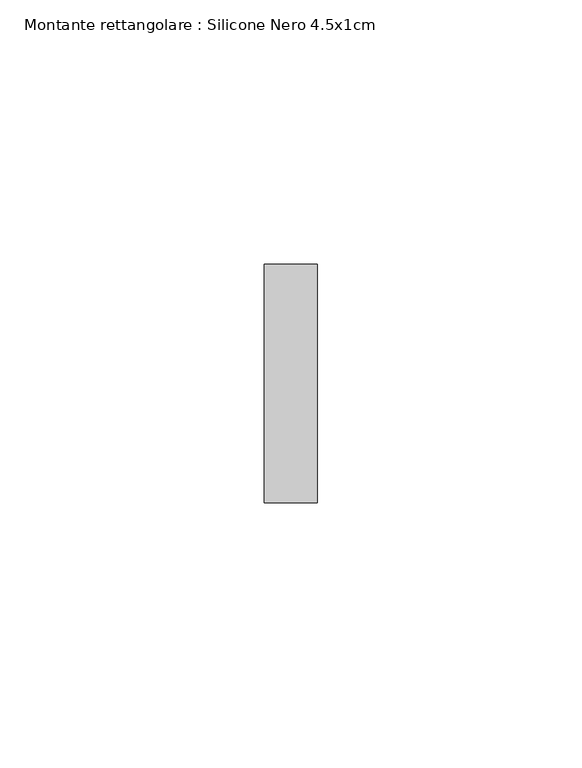
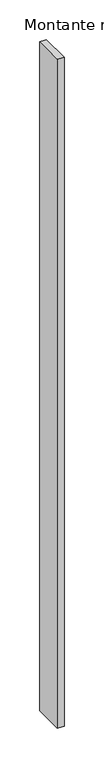
"""IFC4 building model written with IfcOpenShell, lengths in millimetres: member geometry, Montante rettangolare : Silicone Nero 4.5x1cm."""

import ifcopenshell
import ifcopenshell.guid

model = None  # the IFC model being written
_history = None  # IfcOwnerHistory: only IFC2X3 demands one
_inside = {}  # id of a spatial element -> (the spatial element, [elements in it])
_under = {}  # id of a project, library or spatial element -> (it, [spatial elements below it])
_declared = {}  # id of a project -> (the project, [libraries it declares])
_typed = {}  # id of a type object -> (the type object, [elements of that type])
_made_of = {}  # id of a material, layer set ... -> (it, [elements and type objects made of it])


def new_model(schema):
    """Start an empty IFC model of exactly this schema.

    Asked for "IFC4X3", IfcOpenShell would pick the latest addendum, in which some entities
    have other attributes; the version numbers below select the first issue.
    IFC2X3 requires an IfcOwnerHistory on every rooted entity: one is made here for all.
    """
    global model, _history
    if schema == "IFC4X3":
        model = ifcopenshell.file(schema_version=(4, 3, 0, 0))
    else:
        model = ifcopenshell.file(schema=schema)
    _inside.clear()
    _under.clear()
    _declared.clear()
    _typed.clear()
    _made_of.clear()
    _history = None
    if model.schema == "IFC2X3":
        org = make("IfcOrganization", Name="unknown")
        user = make(
            "IfcPersonAndOrganization",
            ThePerson=make("IfcPerson", FamilyName="unknown"),
            TheOrganization=org,
        )
        app = make(
            "IfcApplication",
            ApplicationDeveloper=org,
            Version="unknown",
            ApplicationFullName="unknown",
            ApplicationIdentifier="unknown",
        )
        _history = make(
            "IfcOwnerHistory",
            OwningUser=user,
            OwningApplication=app,
            ChangeAction="ADDED",
            CreationDate=0,
        )
    return model


def make(cls, **values):
    """One entity of the class cls with the attributes given. An attribute that is None is left unset."""
    return model.create_entity(
        cls, **{name: value for name, value in values.items() if value is not None}
    )


def rooted(cls, **values):
    """An entity with a GlobalId (a new one), such as an element, a storey or a relation."""
    return make(cls, GlobalId=ifcopenshell.guid.new(), OwnerHistory=_history, **values)


def si_unit(unit_type, name, prefix=None):
    """IfcSIUnit, for example si_unit("LENGTHUNIT", "METRE", prefix="MILLI")."""
    return make("IfcSIUnit", UnitType=unit_type, Prefix=prefix, Name=name)


def assignment(units):
    """IfcUnitAssignment: the units of a project."""
    return None if units is None else make("IfcUnitAssignment", Units=units)


def point(xyz):
    """IfcCartesianPoint."""
    return None if xyz is None else make("IfcCartesianPoint", Coordinates=xyz)


def direction(xyz):
    """IfcDirection."""
    return None if xyz is None else make("IfcDirection", DirectionRatios=xyz)


def frame(location, z_axis=None, x_axis=None):
    """IfcAxis2Placement3D, a coordinate frame: its origin and axes. An axis left out is left unset."""
    return make(
        "IfcAxis2Placement3D",
        Location=point(location),
        Axis=direction(z_axis),
        RefDirection=direction(x_axis),
    )


def origin():
    """The frame at (0, 0, 0) with its axes left unset."""
    return frame((0.0, 0.0, 0.0))


def place(relative_to, where):
    """IfcLocalPlacement: puts the frame where relative to a parent placement (None: the world)."""
    return make(
        "IfcLocalPlacement", PlacementRelTo=relative_to, RelativePlacement=where
    )


def context(
    kind, dimensions, precision=None, world=None, true_north=None, identifier=None
):
    """IfcGeometricRepresentationContext, for example the 3D "Model" context."""
    return make(
        "IfcGeometricRepresentationContext",
        ContextIdentifier=identifier,
        ContextType=kind,
        CoordinateSpaceDimension=dimensions,
        Precision=precision,
        WorldCoordinateSystem=world,
        TrueNorth=true_north,
    )


def project(units=None, contexts=None):
    """IfcProject with its units and contexts."""
    return rooted(
        "IfcProject",
        Name="project",
        RepresentationContexts=contexts,
        UnitsInContext=assignment(units),
    )


def spatial(cls, under=None, at=None, **own):
    """A site, building, storey or space (cls), placed at a placement, below another one or the project."""
    s = rooted(cls, ObjectPlacement=at, **own)
    if under is not None:
        _under.setdefault(under.id(), (under, []))[1].append(s)
    return s


def polyline(points):
    """IfcPolyline through the points."""
    return make("IfcPolyline", Points=[point(p) for p in points])


def outline(outer, holes=None, kind="AREA"):
    """IfcArbitraryClosedProfileDef: a profile drawn as a closed curve; with holes, ...WithVoids."""
    if holes is None:
        return make("IfcArbitraryClosedProfileDef", ProfileType=kind, OuterCurve=outer)
    return make(
        "IfcArbitraryProfileDefWithVoids",
        ProfileType=kind,
        OuterCurve=outer,
        InnerCurves=holes,
    )


def extrude(swept, where, along, depth):
    """IfcExtrudedAreaSolid: the profile swept, set in the frame where, extruded along a direction by depth."""
    return make(
        "IfcExtrudedAreaSolid",
        SweptArea=swept,
        Position=where,
        ExtrudedDirection=direction(along),
        Depth=depth,
    )


def shape(context_of_items, identifier, shape_type, items):
    """IfcShapeRepresentation: the items that make up one representation, for example the "Body"."""
    return make(
        "IfcShapeRepresentation",
        ContextOfItems=context_of_items,
        RepresentationIdentifier=identifier,
        RepresentationType=shape_type,
        Items=items,
    )


def source(mapping_origin, context_of_items, identifier, shape_type, items):
    """IfcRepresentationMap: a shape defined once, which mapped items show again and again."""
    return make(
        "IfcRepresentationMap",
        MappingOrigin=mapping_origin,
        MappedRepresentation=shape(context_of_items, identifier, shape_type, items),
    )


def transform(
    local_origin,
    x_axis=None,
    y_axis=None,
    z_axis=None,
    scale=None,
    scale2=None,
    scale3=None,
    uniform=True,
):
    """IfcCartesianTransformationOperator3D, or its non-uniform kind. x_axis, y_axis, z_axis: its Axis1, 2, 3."""
    if uniform:
        return make(
            "IfcCartesianTransformationOperator3D",
            Axis1=direction(x_axis),
            Axis2=direction(y_axis),
            LocalOrigin=point(local_origin),
            Scale=scale,
            Axis3=direction(z_axis),
        )
    return make(
        "IfcCartesianTransformationOperator3DnonUniform",
        Axis1=direction(x_axis),
        Axis2=direction(y_axis),
        LocalOrigin=point(local_origin),
        Scale=scale,
        Axis3=direction(z_axis),
        Scale2=scale2,
        Scale3=scale3,
    )


def mapped(mapping_source, mapping_target):
    """IfcMappedItem: shows the shape of a source again, moved by a transform."""
    return make(
        "IfcMappedItem", MappingSource=mapping_source, MappingTarget=mapping_target
    )


def made_of(thing, what):
    """Note that an element or type object is made of a material, layer set ...; save() writes the relation."""
    if what is not None:
        _made_of.setdefault(what.id(), (what, []))[1].append(thing)
    return thing


def element(
    cls,
    number,
    at=None,
    inside=None,
    cuts=None,
    type_object=None,
    material=None,
    context=None,
    identifier="Body",
    shape_type=None,
    held_by="IfcProductDefinitionShape",
    body=None,
    shapes=None,
    **own,
):
    """One element of the class cls, such as IfcWall. Its Tag is "e" and its number.

    at: its placement. inside: the storey or other place that contains it. cuts: it is an
    opening in that element (IfcRelVoidsElement). A single representation is given by context,
    identifier, shape_type and body (its items); several are given by shapes. held_by: the class
    of the entity that holds the representations. save() writes the other relations.
    """
    e = rooted(cls, Tag="e%d" % number, ObjectPlacement=at, **own)
    if body is not None:
        shapes = [shape(context, identifier, shape_type, body)]
    if shapes is not None:
        e.Representation = make(held_by, Representations=shapes)
    if inside is not None:
        _inside.setdefault(inside.id(), (inside, []))[1].append(e)
    if cuts is not None:
        rooted(
            "IfcRelVoidsElement", RelatingBuildingElement=cuts, RelatedOpeningElement=e
        )
    if type_object is not None:
        _typed.setdefault(type_object.id(), (type_object, []))[1].append(e)
    return made_of(e, material)


def aggregate(whole, parts):
    """IfcRelAggregates: a whole, such as a stair, and the parts it consists of."""
    return rooted("IfcRelAggregates", RelatingObject=whole, RelatedObjects=parts)


def save(model, path):
    """Write the relations noted so far, then the file.

    IfcRelAggregates (storeys below a building ...), IfcRelContainedInSpatialStructure (elements
    in a storey), IfcRelDefinesByType, IfcRelAssociatesMaterial and IfcRelDeclares: one each for
    every whole, place, type object, material and project.
    """
    for whole, parts in _under.values():
        aggregate(whole, parts)
    for where, things in _inside.values():
        rooted(
            "IfcRelContainedInSpatialStructure",
            RelatedElements=things,
            RelatingStructure=where,
        )
    for kind, things in _typed.values():
        rooted("IfcRelDefinesByType", RelatedObjects=things, RelatingType=kind)
    for what, things in _made_of.values():
        rooted("IfcRelAssociatesMaterial", RelatedObjects=things, RelatingMaterial=what)
    for by, libraries in _declared.values():
        rooted("IfcRelDeclares", RelatingContext=by, RelatedDefinitions=libraries)
    model.write(path)


def montante_rettangolare_silicone_nero_4_5x1cm_d5e44039(model_context):
    return source(origin(), model_context, "Body", "SweptSolid", [
        extrude(outline(polyline([(0.0, 45.0), (0.0, 0.0), (-10.0, 0.0), (-10.0, 45.0), (0.0, 45.0)])), frame((0.0, 0.0, -1033.3333333), z_axis=(0.0, 0.0, 1.0), x_axis=(1.0, 0.0, 0.0)), (0.0, 0.0, 1.0), 1033.3333333),
    ])


if __name__ == "__main__":
    model = new_model("IFC4")
    model_context = context("Model", 3, world=origin())
    ifc_project = project(units=[si_unit("LENGTHUNIT", "METRE", prefix="MILLI")], contexts=[model_context])
    site = spatial("IfcSite", under=ifc_project)
    building = spatial("IfcBuilding", under=site)
    placement = place(None, origin())
    montante_rettangolare_silicone_nero_4_5x1cm_shape = montante_rettangolare_silicone_nero_4_5x1cm_d5e44039(model_context)
    element("IfcMember", 1, ObjectType="Montante rettangolare : Silicone Nero 4.5x1cm", at=placement, inside=building, context=model_context, shape_type="MappedRepresentation", body=[
        mapped(montante_rettangolare_silicone_nero_4_5x1cm_shape, transform((0.0, 0.0, 0.0), x_axis=(1.0, 0.0, 0.0), y_axis=(0.0, 1.0, 0.0), z_axis=(0.0, 0.0, 1.0))),
    ])
    save(model, "model.ifc")
